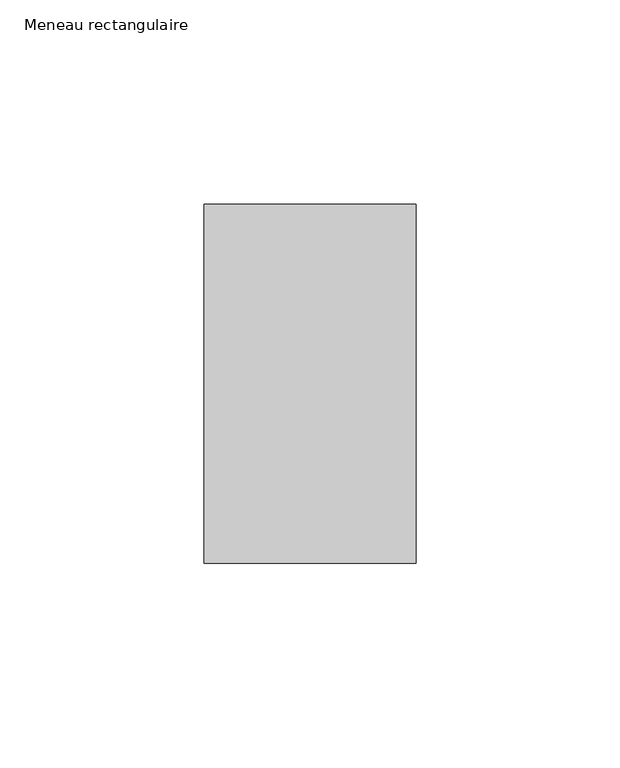
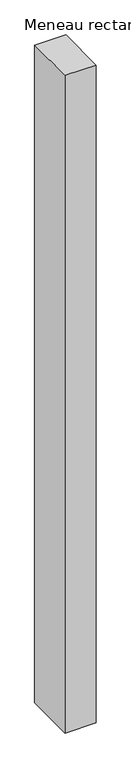
"""IFC4 building model written with IfcOpenShell, lengths in millimetres: member geometry, Meneau rectangulaire."""

from ifc_helpers import new_model, si_unit, frame, origin, place, context, project, spatial, polyline, outline, extrude, source, transform, mapped, element, save


def meneau_rectangulaire_8a2e7ae0(model_context):
    return source(origin(), model_context, "Body", "SweptSolid", [
        extrude(outline(polyline([(-52.0, 44.0), (0.0, 44.0), (0.0, -44.0), (-52.0, -44.0), (-52.0, 44.0)])), frame((0.0, 0.0, -1162.7857142), z_axis=(0.0, 0.0, 1.0), x_axis=(1.0, 0.0, 0.0)), (0.0, 0.0, 1.0), 1162.7857142),
    ])


if __name__ == "__main__":
    model = new_model("IFC4")
    model_context = context("Model", 3, world=origin())
    ifc_project = project(units=[si_unit("LENGTHUNIT", "METRE", prefix="MILLI")], contexts=[model_context])
    site = spatial("IfcSite", under=ifc_project)
    building = spatial("IfcBuilding", under=site)
    placement = place(None, origin())
    meneau_rectangulaire_shape = meneau_rectangulaire_8a2e7ae0(model_context)
    element("IfcMember", 1, ObjectType="Meneau rectangulaire", at=placement, inside=building, context=model_context, shape_type="MappedRepresentation", body=[
        mapped(meneau_rectangulaire_shape, transform((0.0, 0.0, 0.0), x_axis=(1.0, 0.0, 0.0), y_axis=(0.0, 1.0, 0.0), z_axis=(0.0, 0.0, 1.0))),
    ])
    save(model, "model.ifc")
